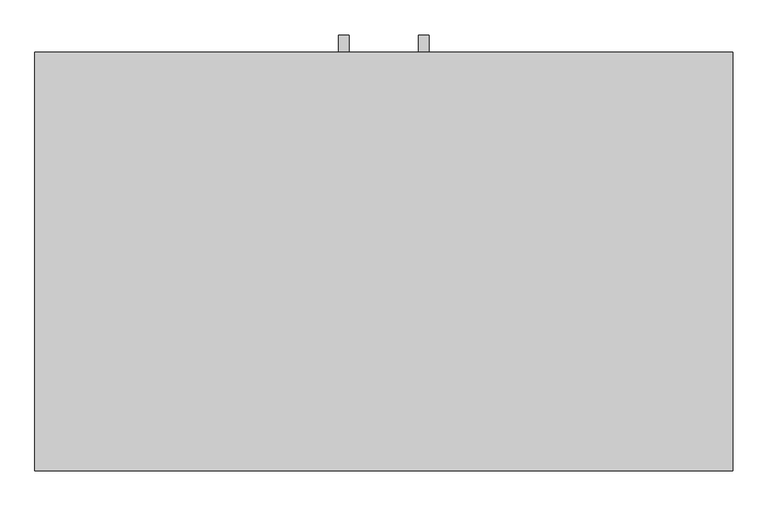
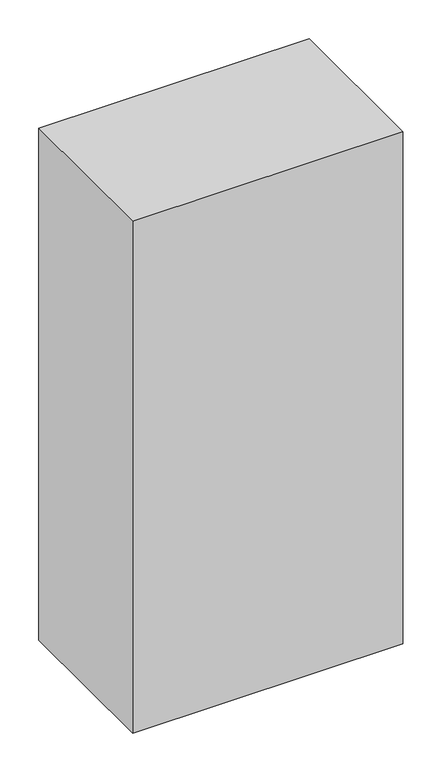
"""IFC4 building model written with IfcOpenShell, lengths in millimetres: furniture geometry."""

import ifcopenshell
import ifcopenshell.guid

model = None  # the IFC model being written
_history = None  # IfcOwnerHistory: only IFC2X3 demands one
_inside = {}  # id of a spatial element -> (the spatial element, [elements in it])
_under = {}  # id of a project, library or spatial element -> (it, [spatial elements below it])
_declared = {}  # id of a project -> (the project, [libraries it declares])
_typed = {}  # id of a type object -> (the type object, [elements of that type])
_made_of = {}  # id of a material, layer set ... -> (it, [elements and type objects made of it])


def new_model(schema):
    """Start an empty IFC model of exactly this schema.

    Asked for "IFC4X3", IfcOpenShell would pick the latest addendum, in which some entities
    have other attributes; the version numbers below select the first issue.
    IFC2X3 requires an IfcOwnerHistory on every rooted entity: one is made here for all.
    """
    global model, _history
    if schema == "IFC4X3":
        model = ifcopenshell.file(schema_version=(4, 3, 0, 0))
    else:
        model = ifcopenshell.file(schema=schema)
    _inside.clear()
    _under.clear()
    _declared.clear()
    _typed.clear()
    _made_of.clear()
    _history = None
    if model.schema == "IFC2X3":
        org = make("IfcOrganization", Name="unknown")
        user = make(
            "IfcPersonAndOrganization",
            ThePerson=make("IfcPerson", FamilyName="unknown"),
            TheOrganization=org,
        )
        app = make(
            "IfcApplication",
            ApplicationDeveloper=org,
            Version="unknown",
            ApplicationFullName="unknown",
            ApplicationIdentifier="unknown",
        )
        _history = make(
            "IfcOwnerHistory",
            OwningUser=user,
            OwningApplication=app,
            ChangeAction="ADDED",
            CreationDate=0,
        )
    return model


def make(cls, **values):
    """One entity of the class cls with the attributes given. An attribute that is None is left unset."""
    return model.create_entity(
        cls, **{name: value for name, value in values.items() if value is not None}
    )


def rooted(cls, **values):
    """An entity with a GlobalId (a new one), such as an element, a storey or a relation."""
    return make(cls, GlobalId=ifcopenshell.guid.new(), OwnerHistory=_history, **values)


def si_unit(unit_type, name, prefix=None):
    """IfcSIUnit, for example si_unit("LENGTHUNIT", "METRE", prefix="MILLI")."""
    return make("IfcSIUnit", UnitType=unit_type, Prefix=prefix, Name=name)


def assignment(units):
    """IfcUnitAssignment: the units of a project."""
    return None if units is None else make("IfcUnitAssignment", Units=units)


def point(xyz):
    """IfcCartesianPoint."""
    return None if xyz is None else make("IfcCartesianPoint", Coordinates=xyz)


def direction(xyz):
    """IfcDirection."""
    return None if xyz is None else make("IfcDirection", DirectionRatios=xyz)


def frame(location, z_axis=None, x_axis=None):
    """IfcAxis2Placement3D, a coordinate frame: its origin and axes. An axis left out is left unset."""
    return make(
        "IfcAxis2Placement3D",
        Location=point(location),
        Axis=direction(z_axis),
        RefDirection=direction(x_axis),
    )


def origin():
    """The frame at (0, 0, 0) with its axes left unset."""
    return frame((0.0, 0.0, 0.0))


def origin_with_axes():
    """The frame at (0, 0, 0) with the z axis (0, 0, 1) and the x axis (1, 0, 0) written out."""
    return frame((0.0, 0.0, 0.0), z_axis=(0.0, 0.0, 1.0), x_axis=(1.0, 0.0, 0.0))


def place(relative_to, where):
    """IfcLocalPlacement: puts the frame where relative to a parent placement (None: the world)."""
    return make(
        "IfcLocalPlacement", PlacementRelTo=relative_to, RelativePlacement=where
    )


def context(
    kind, dimensions, precision=None, world=None, true_north=None, identifier=None
):
    """IfcGeometricRepresentationContext, for example the 3D "Model" context."""
    return make(
        "IfcGeometricRepresentationContext",
        ContextIdentifier=identifier,
        ContextType=kind,
        CoordinateSpaceDimension=dimensions,
        Precision=precision,
        WorldCoordinateSystem=world,
        TrueNorth=true_north,
    )


def project(units=None, contexts=None):
    """IfcProject with its units and contexts."""
    return rooted(
        "IfcProject",
        Name="project",
        RepresentationContexts=contexts,
        UnitsInContext=assignment(units),
    )


def spatial(cls, under=None, at=None, **own):
    """A site, building, storey or space (cls), placed at a placement, below another one or the project."""
    s = rooted(cls, ObjectPlacement=at, **own)
    if under is not None:
        _under.setdefault(under.id(), (under, []))[1].append(s)
    return s


def polyline(points):
    """IfcPolyline through the points."""
    return make("IfcPolyline", Points=[point(p) for p in points])


def outline(outer, holes=None, kind="AREA"):
    """IfcArbitraryClosedProfileDef: a profile drawn as a closed curve; with holes, ...WithVoids."""
    if holes is None:
        return make("IfcArbitraryClosedProfileDef", ProfileType=kind, OuterCurve=outer)
    return make(
        "IfcArbitraryProfileDefWithVoids",
        ProfileType=kind,
        OuterCurve=outer,
        InnerCurves=holes,
    )


def extrude(swept, where, along, depth):
    """IfcExtrudedAreaSolid: the profile swept, set in the frame where, extruded along a direction by depth."""
    return make(
        "IfcExtrudedAreaSolid",
        SweptArea=swept,
        Position=where,
        ExtrudedDirection=direction(along),
        Depth=depth,
    )


def shape(context_of_items, identifier, shape_type, items):
    """IfcShapeRepresentation: the items that make up one representation, for example the "Body"."""
    return make(
        "IfcShapeRepresentation",
        ContextOfItems=context_of_items,
        RepresentationIdentifier=identifier,
        RepresentationType=shape_type,
        Items=items,
    )


def source(mapping_origin, context_of_items, identifier, shape_type, items):
    """IfcRepresentationMap: a shape defined once, which mapped items show again and again."""
    return make(
        "IfcRepresentationMap",
        MappingOrigin=mapping_origin,
        MappedRepresentation=shape(context_of_items, identifier, shape_type, items),
    )


def transform(
    local_origin,
    x_axis=None,
    y_axis=None,
    z_axis=None,
    scale=None,
    scale2=None,
    scale3=None,
    uniform=True,
):
    """IfcCartesianTransformationOperator3D, or its non-uniform kind. x_axis, y_axis, z_axis: its Axis1, 2, 3."""
    if uniform:
        return make(
            "IfcCartesianTransformationOperator3D",
            Axis1=direction(x_axis),
            Axis2=direction(y_axis),
            LocalOrigin=point(local_origin),
            Scale=scale,
            Axis3=direction(z_axis),
        )
    return make(
        "IfcCartesianTransformationOperator3DnonUniform",
        Axis1=direction(x_axis),
        Axis2=direction(y_axis),
        LocalOrigin=point(local_origin),
        Scale=scale,
        Axis3=direction(z_axis),
        Scale2=scale2,
        Scale3=scale3,
    )


def mapped(mapping_source, mapping_target):
    """IfcMappedItem: shows the shape of a source again, moved by a transform."""
    return make(
        "IfcMappedItem", MappingSource=mapping_source, MappingTarget=mapping_target
    )


def made_of(thing, what):
    """Note that an element or type object is made of a material, layer set ...; save() writes the relation."""
    if what is not None:
        _made_of.setdefault(what.id(), (what, []))[1].append(thing)
    return thing


def element(
    cls,
    number,
    at=None,
    inside=None,
    cuts=None,
    type_object=None,
    material=None,
    context=None,
    identifier="Body",
    shape_type=None,
    held_by="IfcProductDefinitionShape",
    body=None,
    shapes=None,
    **own,
):
    """One element of the class cls, such as IfcWall. Its Tag is "e" and its number.

    at: its placement. inside: the storey or other place that contains it. cuts: it is an
    opening in that element (IfcRelVoidsElement). A single representation is given by context,
    identifier, shape_type and body (its items); several are given by shapes. held_by: the class
    of the entity that holds the representations. save() writes the other relations.
    """
    e = rooted(cls, Tag="e%d" % number, ObjectPlacement=at, **own)
    if body is not None:
        shapes = [shape(context, identifier, shape_type, body)]
    if shapes is not None:
        e.Representation = make(held_by, Representations=shapes)
    if inside is not None:
        _inside.setdefault(inside.id(), (inside, []))[1].append(e)
    if cuts is not None:
        rooted(
            "IfcRelVoidsElement", RelatingBuildingElement=cuts, RelatedOpeningElement=e
        )
    if type_object is not None:
        _typed.setdefault(type_object.id(), (type_object, []))[1].append(e)
    return made_of(e, material)


def aggregate(whole, parts):
    """IfcRelAggregates: a whole, such as a stair, and the parts it consists of."""
    return rooted("IfcRelAggregates", RelatingObject=whole, RelatedObjects=parts)


def save(model, path):
    """Write the relations noted so far, then the file.

    IfcRelAggregates (storeys below a building ...), IfcRelContainedInSpatialStructure (elements
    in a storey), IfcRelDefinesByType, IfcRelAssociatesMaterial and IfcRelDeclares: one each for
    every whole, place, type object, material and project.
    """
    for whole, parts in _under.values():
        aggregate(whole, parts)
    for where, things in _inside.values():
        rooted(
            "IfcRelContainedInSpatialStructure",
            RelatedElements=things,
            RelatingStructure=where,
        )
    for kind, things in _typed.values():
        rooted("IfcRelDefinesByType", RelatedObjects=things, RelatingType=kind)
    for what, things in _made_of.values():
        rooted("IfcRelAssociatesMaterial", RelatedObjects=things, RelatingMaterial=what)
    for by, libraries in _declared.values():
        rooted("IfcRelDeclares", RelatingContext=by, RelatedDefinitions=libraries)
    model.write(path)


def furniture_fd72d52c(model_context):
    return source(origin(), model_context, "Body", "SweptSolid", [
        extrude(outline(polyline([(625.0, 950.0), (625.0, 820.0), (600.0, 820.0), (600.0, 825.0), (620.0, 825.0), (620.0, 945.0), (600.0, 945.0), (600.0, 950.0), (625.0, 950.0)])), frame((50.0, 0.0, 0.0), z_axis=(1.0, 0.0, 0.0), x_axis=(0.0, 1.0, 0.0)), (0.0, 0.0, 1.0), 15.0),
        extrude(outline(polyline([(625.0, 950.0), (625.0, 820.0), (600.0, 820.0), (600.0, 825.0), (620.0, 825.0), (620.0, 945.0), (600.0, 945.0), (600.0, 950.0), (625.0, 950.0)])), frame((-65.0, 0.0, 0.0), z_axis=(1.0, 0.0, 0.0), x_axis=(0.0, 1.0, 0.0)), (0.0, 0.0, 1.0), 15.0),
        extrude(outline(polyline([(500.0, 0.0), (-500.0, 0.0), (-500.0, 600.0), (500.0, 600.0), (500.0, 0.0)])), origin_with_axes(), (0.0, 0.0, 1.0), 2000.0),
    ])


if __name__ == "__main__":
    model = new_model("IFC4")
    model_context = context("Model", 3, world=origin())
    ifc_project = project(units=[si_unit("LENGTHUNIT", "METRE", prefix="MILLI")], contexts=[model_context])
    site = spatial("IfcSite", under=ifc_project)
    building = spatial("IfcBuilding", under=site)
    placement = place(None, origin())
    furniture_shape = furniture_fd72d52c(model_context)
    element("IfcFurniture", 1, at=placement, inside=building, context=model_context, shape_type="MappedRepresentation", body=[
        mapped(furniture_shape, transform((0.0, 0.0, 0.0), x_axis=(1.0, 0.0, 0.0), y_axis=(0.0, 1.0, 0.0), z_axis=(0.0, 0.0, 1.0))),
    ])
    save(model, "model.ifc")
